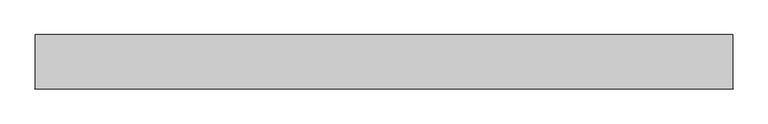
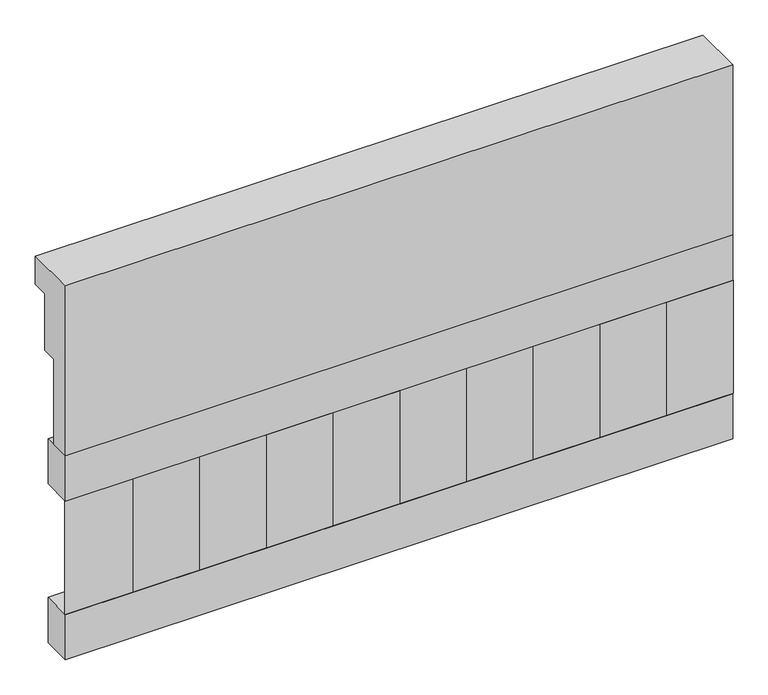
"""IFC4 building model written with IfcOpenShell, lengths in millimetres: railing geometry."""

from ifc_helpers import new_model, si_unit, frame, origin, place, context, project, spatial, polyline, outline, extrude, source, transform, mapped, element, save


def railing_46659525(model_context):
    return source(origin(), model_context, "Body", "SweptSolid", [
        extrude(outline(polyline([(903.1079487, 18500.0), (1033.1079487, 18500.0), (1033.1079487, 18425.0), (993.1079487, 18425.0), (993.1079487, 18275.0), (953.1079487, 18275.0), (953.1079487, 18050.0), (903.1079487, 18050.0), (903.1079487, 18500.0)])), frame((33090.0112841, 0.0, 0.0), z_axis=(1.0, 0.0, 0.0), x_axis=(0.0, 1.0, 0.0)), (0.0, 0.0, 1.0), 1670.0),
        extrude(outline(polyline([(34760.0112841, 978.1079487), (34760.0112841, 903.1079487), (33090.0112841, 903.1079487), (33090.0112841, 978.1079487), (34760.0112841, 978.1079487)])), frame((0.0, 0.0, 17930.0), z_axis=(0.0, 0.0, 1.0), x_axis=(1.0, 0.0, 0.0)), (0.0, 0.0, 1.0), 120.0),
        extrude(outline(polyline([(34760.0112841, 978.1079487), (34760.0112841, 903.1079487), (33090.0112841, 903.1079487), (33090.0112841, 978.1079487), (34760.0112841, 978.1079487)])), frame((0.0, 0.0, 17510.0), z_axis=(0.0, 0.0, 1.0), x_axis=(1.0, 0.0, 0.0)), (0.0, 0.0, 1.0), 120.0),
        extrude(outline(polyline([(33173.5112841, 987.9607624), (33258.3640978, 903.1079487), (33088.6584704, 903.1079487), (33173.5112841, 987.9607624)])), frame((0.0, 0.0, 17630.0), z_axis=(0.0, 0.0, 1.0), x_axis=(1.0, 0.0, 0.0)), (0.0, 0.0, 1.0), 300.0),
        extrude(outline(polyline([(33340.5112841, 987.9607624), (33425.3640978, 903.1079487), (33255.6584704, 903.1079487), (33340.5112841, 987.9607624)])), frame((0.0, 0.0, 17630.0), z_axis=(0.0, 0.0, 1.0), x_axis=(1.0, 0.0, 0.0)), (0.0, 0.0, 1.0), 300.0),
        extrude(outline(polyline([(33507.5112841, 987.9607624), (33592.3640978, 903.1079487), (33422.6584704, 903.1079487), (33507.5112841, 987.9607624)])), frame((0.0, 0.0, 17630.0), z_axis=(0.0, 0.0, 1.0), x_axis=(1.0, 0.0, 0.0)), (0.0, 0.0, 1.0), 300.0),
        extrude(outline(polyline([(33674.5112841, 987.9607624), (33759.3640978, 903.1079487), (33589.6584704, 903.1079487), (33674.5112841, 987.9607624)])), frame((0.0, 0.0, 17630.0), z_axis=(0.0, 0.0, 1.0), x_axis=(1.0, 0.0, 0.0)), (0.0, 0.0, 1.0), 300.0),
        extrude(outline(polyline([(33841.5112841, 987.9607624), (33926.3640978, 903.1079487), (33756.6584704, 903.1079487), (33841.5112841, 987.9607624)])), frame((0.0, 0.0, 17630.0), z_axis=(0.0, 0.0, 1.0), x_axis=(1.0, 0.0, 0.0)), (0.0, 0.0, 1.0), 300.0),
        extrude(outline(polyline([(34008.5112841, 987.9607624), (34093.3640978, 903.1079487), (33923.6584704, 903.1079487), (34008.5112841, 987.9607624)])), frame((0.0, 0.0, 17630.0), z_axis=(0.0, 0.0, 1.0), x_axis=(1.0, 0.0, 0.0)), (0.0, 0.0, 1.0), 300.0),
        extrude(outline(polyline([(34175.5112841, 987.9607624), (34260.3640978, 903.1079487), (34090.6584704, 903.1079487), (34175.5112841, 987.9607624)])), frame((0.0, 0.0, 17630.0), z_axis=(0.0, 0.0, 1.0), x_axis=(1.0, 0.0, 0.0)), (0.0, 0.0, 1.0), 300.0),
        extrude(outline(polyline([(34342.5112841, 987.9607624), (34427.3640978, 903.1079487), (34257.6584704, 903.1079487), (34342.5112841, 987.9607624)])), frame((0.0, 0.0, 17630.0), z_axis=(0.0, 0.0, 1.0), x_axis=(1.0, 0.0, 0.0)), (0.0, 0.0, 1.0), 300.0),
        extrude(outline(polyline([(34509.5112841, 987.9607624), (34594.3640978, 903.1079487), (34424.6584704, 903.1079487), (34509.5112841, 987.9607624)])), frame((0.0, 0.0, 17630.0), z_axis=(0.0, 0.0, 1.0), x_axis=(1.0, 0.0, 0.0)), (0.0, 0.0, 1.0), 300.0),
        extrude(outline(polyline([(34676.5112841, 987.9607624), (34761.3640978, 903.1079487), (34591.6584704, 903.1079487), (34676.5112841, 987.9607624)])), frame((0.0, 0.0, 17630.0), z_axis=(0.0, 0.0, 1.0), x_axis=(1.0, 0.0, 0.0)), (0.0, 0.0, 1.0), 300.0),
    ])


if __name__ == "__main__":
    model = new_model("IFC4")
    model_context = context("Model", 3, world=origin())
    ifc_project = project(units=[si_unit("LENGTHUNIT", "METRE", prefix="MILLI")], contexts=[model_context])
    site = spatial("IfcSite", under=ifc_project)
    building = spatial("IfcBuilding", under=site)
    placement = place(None, origin())
    railing_shape = railing_46659525(model_context)
    element("IfcRailing", 1, at=placement, inside=building, context=model_context, shape_type="MappedRepresentation", body=[
        mapped(railing_shape, transform((0.0, 0.0, 0.0), x_axis=(1.0, 0.0, 0.0), y_axis=(0.0, 1.0, 0.0), z_axis=(0.0, 0.0, 1.0))),
    ])
    save(model, "model.ifc")
